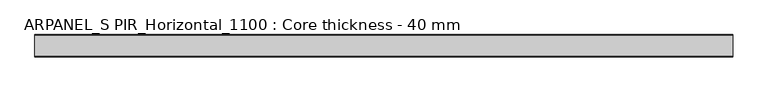
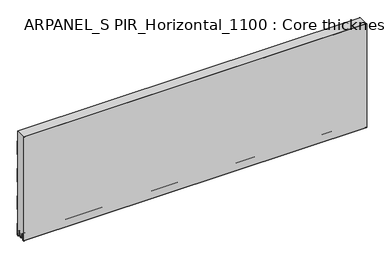
"""IFC4 building model written with IfcOpenShell, lengths in millimetres: plate geometry, ARPANEL_S PIR_Horizontal_1100 : Core thickness - 40 mm."""

from ifc_helpers import new_model, si_unit, frame, origin, place, context, project, spatial, polyline, circle_curve, source, transform, mapped, element, save
from ifc_brep_helpers import plane_surface, cylinder_surface, revolved_surface, advanced_brep


def arpanel_s_pir_horizontal_1100_core_thickness_40_mm_ef45253d(model_context):
    return source(origin(), model_context, "Body", "AdvancedBrep", [
        advanced_brep(
        [(620.0, -39.9996949, 3.0900682), (620.0, -33.81449, 2.7875612), (620.0, -32.197116, 19.2828169), (620.0, -29.1776715, 21.9898782), (620.0, -26.1582271, 19.2828169), (620.0, -24.7725998, 5.1510966), (620.0, -20.3830995, 5.365779), (620.0, -21.1830995, 5.365779), (620.0, -23.9764178, 5.2291629), (620.0, -25.3620451, 19.3608832), (620.0, -29.1776715, 22.7899182), (620.0, -32.9932979, 19.3608832), (620.0, -34.6106719, 2.8656275), (620.0, -39.1996949, 3.0900682), (620.0, -39.2, 400.0), (620.0, -39.9996949, 400.0), (-620.0, -39.1996949, 3.0900682), (-620.0, -34.6106719, 2.8656275), (-620.0, -32.9932979, 19.3608832), (-620.0, -29.1776715, 22.7899182), (-620.0, -25.3620451, 19.3608832), (-620.0, -23.9764178, 5.2291629), (-620.0, -21.1830995, 5.365779), (-620.0, -20.3830995, 5.365779), (-620.0, -24.7725998, 5.1510966), (-620.0, -26.1582271, 19.2828169), (-620.0, -29.1776715, 21.9898782), (-620.0, -32.197116, 19.2828169), (-620.0, -33.81449, 2.7875612), (-620.0, -39.9996949, 3.0900682), (-620.0, -39.9996949, 400.0), (-620.0, -39.2, 400.0)],
        [
            (0, 1, circle_curve(frame((620.0, -36.8996949, 3.0900682), z_axis=(1.0, 0.0, 0.0), x_axis=(0.0, 0.0, -1.0)), 3.1)),
            (1, 2),
            (2, 3, circle_curve(frame((620.0, -29.2114338, 18.9900682), z_axis=(-1.0, 0.0, 0.0), x_axis=(0.0, 0.0, -1.0)), 3.0)),
            (3, 4, circle_curve(frame((620.0, -29.1439093, 18.9900682), z_axis=(-1.0, 0.0, 0.0), x_axis=(0.0, 0.0, -1.0)), 3.0)),
            (4, 5),
            (5, 6, circle_curve(frame((620.0, -22.5830995, 5.365779), z_axis=(1.0, 0.0, 0.0), x_axis=(0.0, 0.0, -1.0)), 2.2)),
            (6, 7),
            (7, 8, circle_curve(frame((620.0, -22.5830995, 5.365779), z_axis=(-1.0, 0.0, 0.0), x_axis=(0.0, 0.0, -1.0)), 1.4)),
            (8, 9),
            (9, 10, circle_curve(frame((620.0, -29.1439093, 18.9900682), z_axis=(1.0, 0.0, 0.0), x_axis=(0.0, 0.0, -1.0)), 3.8)),
            (10, 11, circle_curve(frame((620.0, -29.2114338, 18.9900682), z_axis=(1.0, 0.0, 0.0), x_axis=(0.0, 0.0, -1.0)), 3.8)),
            (11, 12),
            (12, 13, circle_curve(frame((620.0, -36.8996949, 3.0900682), z_axis=(-1.0, 0.0, 0.0), x_axis=(0.0, 0.0, -1.0)), 2.3)),
            (13, 14),
            (14, 15),
            (15, 0),
            (16, 17, circle_curve(frame((-620.0, -36.8996949, 3.0900682), z_axis=(1.0, 0.0, 0.0), x_axis=(0.0, 0.0, -1.0)), 2.3)),
            (17, 18),
            (18, 19, circle_curve(frame((-620.0, -29.2114338, 18.9900682), z_axis=(-1.0, 0.0, 0.0), x_axis=(0.0, 0.0, -1.0)), 3.8)),
            (19, 20, circle_curve(frame((-620.0, -29.1439093, 18.9900682), z_axis=(-1.0, 0.0, 0.0), x_axis=(0.0, 0.0, -1.0)), 3.8)),
            (20, 21),
            (21, 22, circle_curve(frame((-620.0, -22.5830995, 5.365779), z_axis=(1.0, 0.0, 0.0), x_axis=(0.0, 0.0, -1.0)), 1.4)),
            (22, 23),
            (23, 24, circle_curve(frame((-620.0, -22.5830995, 5.365779), z_axis=(-1.0, 0.0, 0.0), x_axis=(0.0, 0.0, -1.0)), 2.2)),
            (24, 25),
            (25, 26, circle_curve(frame((-620.0, -29.1439093, 18.9900682), z_axis=(1.0, 0.0, 0.0), x_axis=(0.0, 0.0, -1.0)), 3.0)),
            (26, 27, circle_curve(frame((-620.0, -29.2114338, 18.9900682), z_axis=(1.0, 0.0, 0.0), x_axis=(0.0, 0.0, -1.0)), 3.0)),
            (27, 28),
            (28, 29, circle_curve(frame((-620.0, -36.8996949, 3.0900682), z_axis=(-1.0, 0.0, 0.0), x_axis=(0.0, 0.0, -1.0)), 3.1)),
            (29, 30),
            (30, 31),
            (31, 16),
            (13, 16),
            (31, 14),
            (29, 0),
            (15, 30),
            (12, 17),
            (11, 18),
            (10, 19),
            (9, 20),
            (8, 21),
            (7, 22),
            (6, 23),
            (5, 24),
            (4, 25),
            (3, 26),
            (2, 27),
            (1, 28),
        ],
        [
            plane_surface(frame((620.0, -40.0, 0.0), z_axis=(1.0, 0.0, 0.0), x_axis=(0.0, 1.0, 0.0))),
            plane_surface(frame((-620.0, -40.0, 0.0), z_axis=(-1.0, 0.0, 0.0), x_axis=(0.0, 1.0, 0.0))),
            plane_surface(frame((620.0, -39.2, 3.0900682), z_axis=(0.0, 1.0, 0.0), x_axis=(-1.0, 0.0, 0.0))),
            plane_surface(frame((620.0, -39.9996949, 1093.9000005), z_axis=(0.0, -1.0, 0.0), x_axis=(-1.0, 0.0, 0.0))),
            revolved_surface(polyline([(-620.0, -36.8996949, 0.7900682000000003), (620.0, -36.8996949, 0.7900682000000003)]), (620.0, -36.8996949, 3.0900682), (-1.0, 0.0, 0.0)),
            plane_surface(frame((620.0, -32.9932979, 19.3608832), z_axis=(0.0, -0.9952273999818314, 0.09758289975914787), x_axis=(-1.0, 0.0, 0.0))),
            cylinder_surface(frame((620.0, -29.2114338, 18.9900682), z_axis=(1.0, 0.0, 0.0), x_axis=(0.0, 0.0, -1.0)), 3.8),
            cylinder_surface(frame((620.0, -29.1439093, 18.9900682), z_axis=(1.0, 0.0, 0.0), x_axis=(0.0, 0.0, -1.0)), 3.8),
            plane_surface(frame((620.0, -23.9764178, 5.2291629), z_axis=(0.0, 0.9952273999818297, 0.09758289975916531), x_axis=(-1.0, 0.0, 0.0))),
            revolved_surface(polyline([(-620.0, -22.5830995, 3.965779), (620.0, -22.5830995, 3.965779)]), (620.0, -22.5830995, 5.365779), (-1.0, 0.0, 0.0)),
            plane_surface(frame((620.0, -20.3830995, 5.365779), z_axis=(0.0, 0.0, 1.0), x_axis=(-1.0, 0.0, 0.0))),
            cylinder_surface(frame((620.0, -22.5830995, 5.365779), z_axis=(1.0, 0.0, 0.0), x_axis=(0.0, 0.0, -1.0)), 2.2),
            plane_surface(frame((620.0, -26.1582271, 19.2828169), z_axis=(0.0, -0.9952273999818296, -0.09758289975916527), x_axis=(-1.0, 0.0, 0.0))),
            revolved_surface(polyline([(-620.0, -29.1439093, 15.9900682), (620.0, -29.1439093, 15.9900682)]), (620.0, -29.1439093, 18.9900682), (-1.0, 0.0, 0.0)),
            revolved_surface(polyline([(-620.0, -29.2114338, 15.9900682), (620.0, -29.2114338, 15.9900682)]), (620.0, -29.2114338, 18.9900682), (-1.0, 0.0, 0.0)),
            plane_surface(frame((620.0, -33.81449, 2.7875612), z_axis=(0.0, 0.9952273999818314, -0.09758289975914787), x_axis=(-1.0, 0.0, 0.0))),
            cylinder_surface(frame((620.0, -36.8996949, 3.0900682), z_axis=(1.0, 0.0, 0.0), x_axis=(0.0, 0.0, -1.0)), 3.1),
            plane_surface(frame((-620.0, 134.0533409, 400.0), z_axis=(0.0, 0.0, 1.0), x_axis=(1.0, 0.0, 0.0))),
        ],
        [
            (0, [[1, 2, 3, 4, 5, 6, 7, 8, 9, 10, 11, 12, 13, 14, 15, 16]]),
            (1, [[17, 18, 19, 20, 21, 22, 23, 24, 25, 26, 27, 28, 29, 30, 31, 32]]),
            (2, [[33, -32, 34, -14]]),
            (3, [[35, -16, 36, -30]]),
            (4, [[-13, 37, -17, -33]]),
            (5, [[-12, 38, -18, -37]]),
            (6, [[-11, 39, -19, -38]]),
            (7, [[-10, 40, -20, -39]]),
            (8, [[-9, 41, -21, -40]]),
            (9, [[-8, 42, -22, -41]]),
            (10, [[-7, 43, -23, -42]]),
            (11, [[-6, 44, -24, -43]]),
            (12, [[-5, 45, -25, -44]]),
            (13, [[-4, 46, -26, -45]]),
            (14, [[-3, 47, -27, -46]]),
            (15, [[-2, 48, -28, -47]]),
            (16, [[-1, -35, -29, -48]]),
            (17, [[-15, -34, -31, -36]]),
        ],
    ),
        advanced_brep(
        [(620.0, -0.8, 149.9459237), (620.0, -1.0986697, 150.9973395), (620.0, -1.5003051, 152.4177205), (620.0, -1.5003051, 202.5775037), (620.0, -1.0971009, 203.9969151), (620.0, -0.8, 205.0493005), (620.0, -0.8, 255.2090837), (620.0, -1.0986697, 256.2604995), (620.0, -1.5003051, 257.6808805), (620.0, -1.5003051, 307.8406637), (620.0, -1.0971009, 309.2600751), (620.0, -0.8, 310.3124605), (620.0, -0.8, 360.4722437), (620.0, -1.0986697, 361.5236595), (620.0, -1.5003051, 362.9440405), (620.0, -1.5003051, 400.0), (620.0, -39.2, 400.0), (620.0, -39.2, 3.0900682), (620.0, -34.6106719, 2.8656275), (620.0, -32.9932979, 19.3608832), (620.0, -29.1776715, 22.7899182), (620.0, -25.3620451, 19.3608832), (620.0, -23.9764178, 5.2291629), (620.0, -21.1830995, 5.365779), (620.0, -20.3830995, 5.365779), (620.0, -20.6102539, 4.3921875), (620.0, -19.3897461, 4.3921875), (620.0, -19.6169005, 5.365779), (620.0, -18.8169005, 5.365779), (620.0, -16.0235822, 5.2291629), (620.0, -14.6379549, 19.3608832), (620.0, -10.8223285, 22.7899182), (620.0, -7.0067021, 19.3608832), (620.0, -5.3893281, 2.8656275), (620.0, -0.8003051, 3.0900682), (620.0, -0.8, 44.6827637), (620.0, -1.0986697, 45.7341795), (620.0, -1.5003051, 47.1545605), (620.0, -1.5003051, 97.3143437), (620.0, -1.0971009, 98.7337551), (620.0, -0.8, 99.7861405), (-620.0, -1.0986697, 150.9973395), (-620.0, -0.8, 149.9459237), (-620.0, -0.8, 99.7861405), (-620.0, -1.0986697, 98.7347246), (-620.0, -1.5003051, 97.3143437), (-620.0, -1.5003051, 47.1545605), (-620.0, -1.0971009, 45.7351491), (-620.0, -0.8, 44.6827637), (-620.0, -0.8, 3.0900682), (-620.0, -5.3893281, 2.8656275), (-620.0, -7.0067021, 19.3608832), (-620.0, -10.8223285, 22.7899182), (-620.0, -14.6379549, 19.3608832), (-620.0, -16.0235822, 5.2291629), (-620.0, -18.4553868, 4.4268721), (-620.0, -18.8169005, 5.365779), (-620.0, -19.6169005, 5.365779), (-620.0, -19.3897461, 4.3921875), (-620.0, -20.6102539, 4.3921875), (-620.0, -20.3830995, 5.365779), (-620.0, -21.1830995, 5.365779), (-620.0, -21.5446132, 4.4268721), (-620.0, -23.9764178, 5.2291629), (-620.0, -25.3620451, 19.3608832), (-620.0, -29.1776715, 22.7899182), (-620.0, -32.9932979, 19.3608832), (-620.0, -34.6106719, 2.8656275), (-620.0, -39.1996949, 3.0900682), (-620.0, -39.2, 400.0), (-620.0, -1.5003051, 400.0), (-620.0, -1.5003051, 362.9440405), (-620.0, -1.0971009, 361.5246291), (-620.0, -0.8, 360.4722437), (-620.0, -0.8, 310.3124605), (-620.0, -1.0986697, 309.2610446), (-620.0, -1.5003051, 307.8406637), (-620.0, -1.5003051, 257.6808805), (-620.0, -1.0971009, 256.2614691), (-620.0, -0.8, 255.2090837), (-620.0, -0.8, 205.0493005), (-620.0, -1.0986697, 203.9978846), (-620.0, -1.5003051, 202.5775037), (-620.0, -1.5003051, 152.4177205)],
        [
            (0, 1, circle_curve(frame((620.0, -2.8, 149.9459237), z_axis=(1.0, 0.0, 0.0), x_axis=(0.0, 0.0, -1.0)), 2.0)),
            (1, 2, circle_curve(frame((620.0, 1.1996949, 152.4177205), z_axis=(-1.0, 0.0, 0.0), x_axis=(0.0, 0.0, -1.0)), 2.7)),
            (2, 3),
            (3, 4, circle_curve(frame((620.0, 1.1996949, 202.5775037), z_axis=(-1.0, 0.0, 0.0), x_axis=(0.0, 0.0, -1.0)), 2.7)),
            (4, 5, circle_curve(frame((620.0, -2.8, 205.0493005), z_axis=(1.0, 0.0, 0.0), x_axis=(0.0, 0.0, -1.0)), 2.0)),
            (5, 6),
            (6, 7, circle_curve(frame((620.0, -2.8, 255.2090837), z_axis=(1.0, 0.0, 0.0), x_axis=(0.0, 0.0, -1.0)), 2.0)),
            (7, 8, circle_curve(frame((620.0, 1.1996949, 257.6808805), z_axis=(-1.0, 0.0, 0.0), x_axis=(0.0, 0.0, -1.0)), 2.7)),
            (8, 9),
            (9, 10, circle_curve(frame((620.0, 1.1996949, 307.8406637), z_axis=(-1.0, 0.0, 0.0), x_axis=(0.0, 0.0, -1.0)), 2.7)),
            (10, 11, circle_curve(frame((620.0, -2.8, 310.3124605), z_axis=(1.0, 0.0, 0.0), x_axis=(0.0, 0.0, -1.0)), 2.0)),
            (11, 12),
            (12, 13, circle_curve(frame((620.0, -2.8, 360.4722437), z_axis=(1.0, 0.0, 0.0), x_axis=(0.0, 0.0, -1.0)), 2.0)),
            (13, 14, circle_curve(frame((620.0, 1.1996949, 362.9440405), z_axis=(-1.0, 0.0, 0.0), x_axis=(0.0, 0.0, -1.0)), 2.7)),
            (14, 15),
            (15, 16),
            (16, 17),
            (17, 18, circle_curve(frame((620.0, -36.8996949, 3.0900682), z_axis=(1.0, 0.0, 0.0), x_axis=(0.0, 0.0, -1.0)), 2.3)),
            (18, 19),
            (19, 20, circle_curve(frame((620.0, -29.2114338, 18.9900682), z_axis=(-1.0, 0.0, 0.0), x_axis=(0.0, 0.0, -1.0)), 3.8)),
            (20, 21, circle_curve(frame((620.0, -29.1439093, 18.9900682), z_axis=(-1.0, 0.0, 0.0), x_axis=(0.0, 0.0, -1.0)), 3.8)),
            (21, 22),
            (22, 23, circle_curve(frame((620.0, -22.5830995, 5.365779), z_axis=(1.0, 0.0, 0.0), x_axis=(0.0, 0.0, -1.0)), 1.4)),
            (23, 24),
            (24, 25, circle_curve(frame((620.0, -22.5830995, 5.365779), z_axis=(-1.0, 0.0, 0.0), x_axis=(0.0, 0.0, -1.0)), 2.2)),
            (25, 26),
            (26, 27, circle_curve(frame((620.0, -17.4169005, 5.365779), z_axis=(-1.0, 0.0, 0.0), x_axis=(0.0, 0.0, -1.0)), 2.2)),
            (27, 28),
            (28, 29, circle_curve(frame((620.0, -17.4169005, 5.365779), z_axis=(1.0, 0.0, 0.0), x_axis=(0.0, 0.0, -1.0)), 1.4)),
            (29, 30),
            (30, 31, circle_curve(frame((620.0, -10.8560907, 18.9900682), z_axis=(-1.0, 0.0, 0.0), x_axis=(0.0, 0.0, -1.0)), 3.8)),
            (31, 32, circle_curve(frame((620.0, -10.7885662, 18.9900682), z_axis=(-1.0, 0.0, 0.0), x_axis=(0.0, 0.0, -1.0)), 3.8)),
            (32, 33),
            (33, 34, circle_curve(frame((620.0, -3.1003051, 3.0900682), z_axis=(1.0, 0.0, 0.0), x_axis=(0.0, 0.0, -1.0)), 2.3)),
            (34, 35),
            (35, 36, circle_curve(frame((620.0, -2.8, 44.6827637), z_axis=(1.0, 0.0, 0.0), x_axis=(0.0, 0.0, -1.0)), 2.0)),
            (36, 37, circle_curve(frame((620.0, 1.1996949, 47.1545605), z_axis=(-1.0, 0.0, 0.0), x_axis=(0.0, 0.0, -1.0)), 2.7)),
            (37, 38),
            (38, 39, circle_curve(frame((620.0, 1.1996949, 97.3143437), z_axis=(-1.0, 0.0, 0.0), x_axis=(0.0, 0.0, -1.0)), 2.7)),
            (39, 40, circle_curve(frame((620.0, -2.8, 99.7861405), z_axis=(1.0, 0.0, 0.0), x_axis=(0.0, 0.0, -1.0)), 2.0)),
            (40, 0),
            (41, 42, circle_curve(frame((-620.0, -2.8, 149.9459237), z_axis=(-1.0, 0.0, 0.0), x_axis=(0.0, 0.0, -1.0)), 2.0)),
            (42, 43),
            (43, 44, circle_curve(frame((-620.0, -2.8, 99.7861405), z_axis=(-1.0, 0.0, 0.0), x_axis=(0.0, 0.0, -1.0)), 2.0)),
            (44, 45, circle_curve(frame((-620.0, 1.1996949, 97.3143437), z_axis=(1.0, 0.0, 0.0), x_axis=(0.0, 0.0, -1.0)), 2.7)),
            (45, 46),
            (46, 47, circle_curve(frame((-620.0, 1.1996949, 47.1545605), z_axis=(1.0, 0.0, 0.0), x_axis=(0.0, 0.0, -1.0)), 2.7)),
            (47, 48, circle_curve(frame((-620.0, -2.8, 44.6827637), z_axis=(-1.0, 0.0, 0.0), x_axis=(0.0, 0.0, -1.0)), 2.0)),
            (48, 49),
            (49, 50, circle_curve(frame((-620.0, -3.1003051, 3.0900682), z_axis=(-1.0, 0.0, 0.0), x_axis=(0.0, 0.0, -1.0)), 2.3)),
            (50, 51),
            (51, 52, circle_curve(frame((-620.0, -10.7885662, 18.9900682), z_axis=(1.0, 0.0, 0.0), x_axis=(0.0, 0.0, -1.0)), 3.8)),
            (52, 53, circle_curve(frame((-620.0, -10.8560907, 18.9900682), z_axis=(1.0, 0.0, 0.0), x_axis=(0.0, 0.0, -1.0)), 3.8)),
            (53, 54),
            (54, 55, circle_curve(frame((-620.0, -17.4169005, 5.365779), z_axis=(-1.0, 0.0, 0.0), x_axis=(0.0, 0.0, -1.0)), 1.4)),
            (55, 56, circle_curve(frame((-620.0, -17.4169005, 5.365779), z_axis=(-1.0, 0.0, 0.0), x_axis=(0.0, 0.0, -1.0)), 1.4)),
            (56, 57),
            (57, 58, circle_curve(frame((-620.0, -17.4169005, 5.365779), z_axis=(1.0, 0.0, 0.0), x_axis=(0.0, 0.0, -1.0)), 2.2)),
            (58, 59),
            (59, 60, circle_curve(frame((-620.0, -22.5830995, 5.365779), z_axis=(1.0, 0.0, 0.0), x_axis=(0.0, 0.0, -1.0)), 2.2)),
            (60, 61),
            (61, 62, circle_curve(frame((-620.0, -22.5830995, 5.365779), z_axis=(-1.0, 0.0, 0.0), x_axis=(0.0, 0.0, -1.0)), 1.4)),
            (62, 63, circle_curve(frame((-620.0, -22.5830995, 5.365779), z_axis=(-1.0, 0.0, 0.0), x_axis=(0.0, 0.0, -1.0)), 1.4)),
            (63, 64),
            (64, 65, circle_curve(frame((-620.0, -29.1439093, 18.9900682), z_axis=(1.0, 0.0, 0.0), x_axis=(0.0, 0.0, -1.0)), 3.8)),
            (65, 66, circle_curve(frame((-620.0, -29.2114338, 18.9900682), z_axis=(1.0, 0.0, 0.0), x_axis=(0.0, 0.0, -1.0)), 3.8)),
            (66, 67),
            (67, 68, circle_curve(frame((-620.0, -36.8996949, 3.0900682), z_axis=(-1.0, 0.0, 0.0), x_axis=(0.0, 0.0, -1.0)), 2.3)),
            (68, 69),
            (69, 70),
            (70, 71),
            (71, 72, circle_curve(frame((-620.0, 1.1996949, 362.9440405), z_axis=(1.0, 0.0, 0.0), x_axis=(0.0, 0.0, -1.0)), 2.7)),
            (72, 73, circle_curve(frame((-620.0, -2.8, 360.4722437), z_axis=(-1.0, 0.0, 0.0), x_axis=(0.0, 0.0, -1.0)), 2.0)),
            (73, 74),
            (74, 75, circle_curve(frame((-620.0, -2.8, 310.3124605), z_axis=(-1.0, 0.0, 0.0), x_axis=(0.0, 0.0, -1.0)), 2.0)),
            (75, 76, circle_curve(frame((-620.0, 1.1996949, 307.8406637), z_axis=(1.0, 0.0, 0.0), x_axis=(0.0, 0.0, -1.0)), 2.7)),
            (76, 77),
            (77, 78, circle_curve(frame((-620.0, 1.1996949, 257.6808805), z_axis=(1.0, 0.0, 0.0), x_axis=(0.0, 0.0, -1.0)), 2.7)),
            (78, 79, circle_curve(frame((-620.0, -2.8, 255.2090837), z_axis=(-1.0, 0.0, 0.0), x_axis=(0.0, 0.0, -1.0)), 2.0)),
            (79, 80),
            (80, 81, circle_curve(frame((-620.0, -2.8, 205.0493005), z_axis=(-1.0, 0.0, 0.0), x_axis=(0.0, 0.0, -1.0)), 2.0)),
            (81, 82, circle_curve(frame((-620.0, 1.1996949, 202.5775037), z_axis=(1.0, 0.0, 0.0), x_axis=(0.0, 0.0, -1.0)), 2.7)),
            (82, 83),
            (83, 41, circle_curve(frame((-620.0, 1.1996949, 152.4177205), z_axis=(1.0, 0.0, 0.0), x_axis=(0.0, 0.0, -1.0)), 2.7)),
            (41, 1),
            (0, 42),
            (83, 2),
            (82, 3),
            (81, 4),
            (80, 5),
            (79, 6),
            (78, 7),
            (77, 8),
            (76, 9),
            (75, 10),
            (74, 11),
            (73, 12),
            (72, 13),
            (71, 14),
            (70, 15),
            (68, 17),
            (16, 69),
            (57, 27),
            (26, 58),
            (56, 28),
            (54, 29),
            (53, 30),
            (52, 31),
            (51, 32),
            (50, 33),
            (49, 34),
            (48, 35),
            (47, 36),
            (46, 37),
            (45, 38),
            (44, 39),
            (43, 40),
            (67, 18),
            (66, 19),
            (65, 20),
            (64, 21),
            (63, 22),
            (61, 23),
            (60, 24),
            (59, 25),
        ],
        [
            plane_surface(frame((620.0, 0.0, 0.0), z_axis=(1.0, 0.0, 0.0), x_axis=(0.0, -1.0, 0.0))),
            plane_surface(frame((-620.0, 0.0, 0.0), z_axis=(-1.0, 0.0, 0.0), x_axis=(0.0, -1.0, 0.0))),
            cylinder_surface(frame((750.0, -2.8, 149.9459237), z_axis=(-1.0, 0.0, 0.0), x_axis=(0.0, 0.0, -1.0)), 2.0),
            revolved_surface(polyline([(620.0, 1.1996949, 149.7177205), (-620.0, 1.1996949, 149.7177205)]), (750.0, 1.1996949, 152.4177205), (1.0, 0.0, 0.0)),
            plane_surface(frame((750.0, -1.5003051, 202.5775037), z_axis=(0.0, 1.0, 0.0), x_axis=(-1.0, 0.0, 0.0))),
            revolved_surface(polyline([(620.0, 1.1996949, 199.8775037), (-620.0, 1.1996949, 199.8775037)]), (750.0, 1.1996949, 202.5775037), (1.0, 0.0, 0.0)),
            cylinder_surface(frame((750.0, -2.8, 205.0493005), z_axis=(-1.0, 0.0, 0.0), x_axis=(0.0, 0.0, -1.0)), 2.0),
            plane_surface(frame((750.0, -0.8, 255.2090837), z_axis=(0.0, 1.0, 0.0), x_axis=(-1.0, 0.0, 0.0))),
            cylinder_surface(frame((750.0, -2.8, 255.2090837), z_axis=(-1.0, 0.0, 0.0), x_axis=(0.0, 0.0, -1.0)), 2.0),
            revolved_surface(polyline([(620.0, 1.1996949, 254.9808805), (-620.0, 1.1996949, 254.9808805)]), (750.0, 1.1996949, 257.6808805), (1.0, 0.0, 0.0)),
            plane_surface(frame((750.0, -1.5003051, 307.8406637), z_axis=(0.0, 1.0, 0.0), x_axis=(-1.0, 0.0, 0.0))),
            revolved_surface(polyline([(620.0, 1.1996949, 305.1406637), (-620.0, 1.1996949, 305.1406637)]), (750.0, 1.1996949, 307.8406637), (1.0, 0.0, 0.0)),
            cylinder_surface(frame((750.0, -2.8, 310.3124605), z_axis=(-1.0, 0.0, 0.0), x_axis=(0.0, 0.0, -1.0)), 2.0),
            plane_surface(frame((750.0, -0.8, 360.4722437), z_axis=(0.0, 1.0, 0.0), x_axis=(-1.0, 0.0, 0.0))),
            cylinder_surface(frame((750.0, -2.8, 360.4722437), z_axis=(-1.0, 0.0, 0.0), x_axis=(0.0, 0.0, -1.0)), 2.0),
            revolved_surface(polyline([(620.0, 1.1996949, 360.24404050000004), (-620.0, 1.1996949, 360.24404050000004)]), (750.0, 1.1996949, 362.9440405), (1.0, 0.0, 0.0)),
            plane_surface(frame((750.0, -1.5003051, 413.1038237), z_axis=(0.0, 1.0, 0.0), x_axis=(-1.0, 0.0, 0.0))),
            plane_surface(frame((750.0, -39.2, 3.0900682), z_axis=(0.0, -1.0, 0.0), x_axis=(-1.0, 0.0, 0.0))),
            revolved_surface(polyline([(620.0, -17.4169005, 3.1657789999999997), (-620.0, -17.4169005, 3.1657789999999997)]), (750.0, -17.4169005, 5.365779), (1.0, 0.0, 0.0)),
            plane_surface(frame((750.0, -18.8169005, 5.365779), z_axis=(0.0, 0.0, -1.0), x_axis=(-1.0, 0.0, 0.0))),
            cylinder_surface(frame((750.0, -17.4169005, 5.365779), z_axis=(-1.0, 0.0, 0.0), x_axis=(0.0, 0.0, -1.0)), 1.4),
            plane_surface(frame((750.0, -14.6379549, 19.3608832), z_axis=(0.0, 0.9952273999818297, -0.09758289975916531), x_axis=(-1.0, 0.0, 0.0))),
            revolved_surface(polyline([(620.0, -10.8560907, 15.190068199999999), (-620.0, -10.8560907, 15.190068199999999)]), (750.0, -10.8560907, 18.9900682), (1.0, 0.0, 0.0)),
            revolved_surface(polyline([(620.0, -10.7885662, 15.190068199999999), (-620.0, -10.7885662, 15.190068199999999)]), (750.0, -10.7885662, 18.9900682), (1.0, 0.0, 0.0)),
            plane_surface(frame((750.0, -5.3893281, 2.8656275), z_axis=(0.0, -0.9952273999818314, -0.09758289975914787), x_axis=(-1.0, 0.0, 0.0))),
            cylinder_surface(frame((750.0, -3.1003051, 3.0900682), z_axis=(-1.0, 0.0, 0.0), x_axis=(0.0, 0.0, -1.0)), 2.3),
            plane_surface(frame((750.0, -0.8, 44.6827637), z_axis=(0.0, 1.0, 0.0), x_axis=(-1.0, 0.0, 0.0))),
            cylinder_surface(frame((750.0, -2.8, 44.6827637), z_axis=(-1.0, 0.0, 0.0), x_axis=(0.0, 0.0, -1.0)), 2.0),
            revolved_surface(polyline([(620.0, 1.1996949, 44.4545605), (-620.0, 1.1996949, 44.4545605)]), (750.0, 1.1996949, 47.1545605), (1.0, 0.0, 0.0)),
            plane_surface(frame((750.0, -1.5003051, 97.3143437), z_axis=(0.0, 1.0, 0.0), x_axis=(-1.0, 0.0, 0.0))),
            revolved_surface(polyline([(620.0, 1.1996949, 94.61434369999999), (-620.0, 1.1996949, 94.61434369999999)]), (750.0, 1.1996949, 97.3143437), (1.0, 0.0, 0.0)),
            cylinder_surface(frame((750.0, -2.8, 99.7861405), z_axis=(-1.0, 0.0, 0.0), x_axis=(0.0, 0.0, -1.0)), 2.0),
            plane_surface(frame((750.0, -0.8, 149.9459237), z_axis=(0.0, 1.0, 0.0), x_axis=(-1.0, 0.0, 0.0))),
            cylinder_surface(frame((750.0, -36.8996949, 3.0900682), z_axis=(-1.0, 0.0, 0.0), x_axis=(0.0, 0.0, -1.0)), 2.3),
            plane_surface(frame((750.0, -32.9932979, 19.3608832), z_axis=(0.0, 0.9952273999818314, -0.09758289975914787), x_axis=(-1.0, 0.0, 0.0))),
            revolved_surface(polyline([(620.0, -29.2114338, 15.190068199999999), (-620.0, -29.2114338, 15.190068199999999)]), (750.0, -29.2114338, 18.9900682), (1.0, 0.0, 0.0)),
            revolved_surface(polyline([(620.0, -29.1439093, 15.190068199999999), (-620.0, -29.1439093, 15.190068199999999)]), (750.0, -29.1439093, 18.9900682), (1.0, 0.0, 0.0)),
            plane_surface(frame((750.0, -23.9764178, 5.2291629), z_axis=(0.0, -0.9952273999818297, -0.09758289975916531), x_axis=(-1.0, 0.0, 0.0))),
            cylinder_surface(frame((750.0, -22.5830995, 5.365779), z_axis=(-1.0, 0.0, 0.0), x_axis=(0.0, 0.0, -1.0)), 1.4),
            plane_surface(frame((750.0, -20.3830995, 5.365779), z_axis=(0.0, 0.0, -1.0), x_axis=(-1.0, 0.0, 0.0))),
            revolved_surface(polyline([(620.0, -22.5830995, 3.1657789999999997), (-620.0, -22.5830995, 3.1657789999999997)]), (750.0, -22.5830995, 5.365779), (1.0, 0.0, 0.0)),
            plane_surface(frame((620.0, -21.50625, 4.3921875), z_axis=(0.0, 0.0, -1.0), x_axis=(-1.0, 0.0, 0.0))),
            plane_surface(frame((-620.0, 134.0533409, 400.0), z_axis=(0.0, 0.0, 1.0), x_axis=(1.0, 0.0, 0.0))),
        ],
        [
            (0, [[1, 2, 3, 4, 5, 6, 7, 8, 9, 10, 11, 12, 13, 14, 15, 16, 17, 18, 19, 20, 21, 22, 23, 24, 25, 26, 27, 28, 29, 30, 31, 32, 33, 34, 35, 36, 37, 38, 39, 40, 41]]),
            (1, [[42, 43, 44, 45, 46, 47, 48, 49, 50, 51, 52, 53, 54, 55, 56, 57, 58, 59, 60, 61, 62, 63, 64, 65, 66, 67, 68, 69, 70, 71, 72, 73, 74, 75, 76, 77, 78, 79, 80, 81, 82, 83, 84]]),
            (2, [[85, -1, 86, -42]]),
            (3, [[-85, -84, 87, -2]]),
            (4, [[-87, -83, 88, -3]]),
            (5, [[-88, -82, 89, -4]]),
            (6, [[-89, -81, 90, -5]]),
            (7, [[-90, -80, 91, -6]]),
            (8, [[-91, -79, 92, -7]]),
            (9, [[-92, -78, 93, -8]]),
            (10, [[-93, -77, 94, -9]]),
            (11, [[-94, -76, 95, -10]]),
            (12, [[-95, -75, 96, -11]]),
            (13, [[-96, -74, 97, -12]]),
            (14, [[-97, -73, 98, -13]]),
            (15, [[-98, -72, 99, -14]]),
            (16, [[-99, -71, 100, -15]]),
            (17, [[101, -17, 102, -69]]),
            (18, [[103, -27, 104, -58]]),
            (19, [[-103, -57, 105, -28]]),
            (20, [[-105, -56, -55, 106, -29]]),
            (21, [[-106, -54, 107, -30]]),
            (22, [[-107, -53, 108, -31]]),
            (23, [[-108, -52, 109, -32]]),
            (24, [[-109, -51, 110, -33]]),
            (25, [[-110, -50, 111, -34]]),
            (26, [[-111, -49, 112, -35]]),
            (27, [[-112, -48, 113, -36]]),
            (28, [[-113, -47, 114, -37]]),
            (29, [[-114, -46, 115, -38]]),
            (30, [[-115, -45, 116, -39]]),
            (31, [[-116, -44, 117, -40]]),
            (32, [[-117, -43, -86, -41]]),
            (33, [[-101, -68, 118, -18]]),
            (34, [[-118, -67, 119, -19]]),
            (35, [[-119, -66, 120, -20]]),
            (36, [[-120, -65, 121, -21]]),
            (37, [[-121, -64, 122, -22]]),
            (38, [[-122, -63, -62, 123, -23]]),
            (39, [[-123, -61, 124, -24]]),
            (40, [[-124, -60, 125, -25]]),
            (41, [[-104, -26, -125, -59]]),
            (42, [[-100, -70, -102, -16]]),
        ],
    ),
        advanced_brep(
        [(-620.0, -0.7003051, 362.9440405), (-620.0, -0.4016712, 361.8926826), (-620.0, -0.0003051, 360.4722437), (-620.0, -0.0003051, 310.3124605), (-620.0, -0.4034608, 308.8931274), (-620.0, -0.7003051, 307.8406637), (-620.0, -0.7003051, 257.6808805), (-620.0, -0.4016712, 256.6295226), (-620.0, -0.0003051, 255.2090837), (-620.0, -0.0003051, 205.0493005), (-620.0, -0.4034608, 203.6299674), (-620.0, -0.7003051, 202.5775037), (-620.0, -0.7003051, 152.4177205), (-620.0, -0.4016712, 151.3663626), (-620.0, -0.0003051, 149.9459237), (-620.0, -0.0003051, 99.7861405), (-620.0, -0.4034608, 98.3668074), (-620.0, -0.7003051, 97.3143437), (-620.0, -0.7003051, 47.1545605), (-620.0, -0.4016712, 46.1032026), (-620.0, -0.0003051, 44.6827637), (-620.0, -0.0003051, 3.0900682), (-620.0, -6.18551, 2.7875612), (-620.0, -7.802884, 19.2828169), (-620.0, -10.8223285, 21.9898782), (-620.0, -13.8417729, 19.2828169), (-620.0, -15.2274002, 5.1510966), (-620.0, -19.6169005, 5.365779), (-620.0, -18.8169005, 5.365779), (-620.0, -16.0235822, 5.2291629), (-620.0, -14.6379549, 19.3608832), (-620.0, -10.8223285, 22.7899182), (-620.0, -7.0067021, 19.3608832), (-620.0, -5.3893281, 2.8656275), (-620.0, -0.8003051, 3.0900682), (-620.0, -0.8, 44.6827637), (-620.0, -1.0986697, 45.7341795), (-620.0, -1.5003051, 47.1545605), (-620.0, -1.5003051, 97.3143437), (-620.0, -1.0971009, 98.7337551), (-620.0, -0.8, 99.7861405), (-620.0, -0.8, 149.9459237), (-620.0, -1.0986697, 150.9973395), (-620.0, -1.5003051, 152.4177205), (-620.0, -1.5003051, 202.5775037), (-620.0, -1.0971009, 203.9969151), (-620.0, -0.8, 205.0493005), (-620.0, -0.8, 255.2090837), (-620.0, -1.0986697, 256.2604995), (-620.0, -1.5003051, 257.6808805), (-620.0, -1.5003051, 307.8406637), (-620.0, -1.0971009, 309.2600751), (-620.0, -0.8, 310.3124605), (-620.0, -0.8, 360.4722437), (-620.0, -1.0986697, 361.5236595), (-620.0, -1.5003051, 362.9440405), (-620.0, -1.5003051, 400.0), (-620.0, -0.7003051, 400.0), (620.0, -1.5003051, 362.9440405), (620.0, -1.0971009, 361.5246291), (620.0, -0.8, 360.4722437), (620.0, -0.8, 310.3124605), (620.0, -1.0986697, 309.2610446), (620.0, -1.5003051, 307.8406637), (620.0, -1.5003051, 257.6808805), (620.0, -1.0971009, 256.2614691), (620.0, -0.8, 255.2090837), (620.0, -0.8, 205.0493005), (620.0, -1.0986697, 203.9978846), (620.0, -1.5003051, 202.5775037), (620.0, -1.5003051, 152.4177205), (620.0, -1.0971009, 150.9983091), (620.0, -0.8, 149.9459237), (620.0, -0.8, 99.7861405), (620.0, -1.0986697, 98.7347246), (620.0, -1.5003051, 97.3143437), (620.0, -1.5003051, 47.1545605), (620.0, -1.0971009, 45.7351491), (620.0, -0.8, 44.6827637), (620.0, -0.8, 3.0900682), (620.0, -5.3893281, 2.8656275), (620.0, -7.0067021, 19.3608832), (620.0, -10.8223285, 22.7899182), (620.0, -14.6379549, 19.3608832), (620.0, -16.0235822, 5.2291629), (620.0, -18.8169005, 5.365779), (620.0, -19.6169005, 5.365779), (620.0, -15.2274002, 5.1510966), (620.0, -13.8417729, 19.2828169), (620.0, -10.8223285, 21.9898782), (620.0, -7.802884, 19.2828169), (620.0, -6.18551, 2.7875612), (620.0, -0.0003051, 3.0900682), (620.0, -0.0003051, 44.6827637), (620.0, -0.4034608, 46.1020968), (620.0, -0.7003051, 47.1545605), (620.0, -0.7003051, 97.3143437), (620.0, -0.4016712, 98.3657015), (620.0, -0.0003051, 99.7861405), (620.0, -0.0003051, 149.9459237), (620.0, -0.4034608, 151.3652568), (620.0, -0.7003051, 152.4177205), (620.0, -0.7003051, 202.5775037), (620.0, -0.4016712, 203.6288615), (620.0, -0.0003051, 205.0493005), (620.0, -0.0003051, 255.2090837), (620.0, -0.4034608, 256.6284168), (620.0, -0.7003051, 257.6808805), (620.0, -0.7003051, 307.8406637), (620.0, -0.4016712, 308.8920215), (620.0, -0.0003051, 310.3124605), (620.0, -0.0003051, 360.4722437), (620.0, -0.4034608, 361.8915768), (620.0, -0.7003051, 362.9440405), (620.0, -0.7003051, 400.0), (620.0, -1.5003051, 400.0)],
        [
            (0, 1, circle_curve(frame((-620.0, 1.2996949, 362.9440405), z_axis=(1.0, 0.0, 0.0), x_axis=(0.0, 0.0, -1.0)), 2.0)),
            (1, 2, circle_curve(frame((-620.0, -2.7003051, 360.4722437), z_axis=(-1.0, 0.0, 0.0), x_axis=(0.0, 0.0, -1.0)), 2.7)),
            (2, 3),
            (3, 4, circle_curve(frame((-620.0, -2.7003051, 310.3124605), z_axis=(-1.0, 0.0, 0.0), x_axis=(0.0, 0.0, -1.0)), 2.7)),
            (4, 5, circle_curve(frame((-620.0, 1.2996949, 307.8406637), z_axis=(1.0, 0.0, 0.0), x_axis=(0.0, 0.0, -1.0)), 2.0)),
            (5, 6),
            (6, 7, circle_curve(frame((-620.0, 1.2996949, 257.6808805), z_axis=(1.0, 0.0, 0.0), x_axis=(0.0, 0.0, -1.0)), 2.0)),
            (7, 8, circle_curve(frame((-620.0, -2.7003051, 255.2090837), z_axis=(-1.0, 0.0, 0.0), x_axis=(0.0, 0.0, -1.0)), 2.7)),
            (8, 9),
            (9, 10, circle_curve(frame((-620.0, -2.7003051, 205.0493005), z_axis=(-1.0, 0.0, 0.0), x_axis=(0.0, 0.0, -1.0)), 2.7)),
            (10, 11, circle_curve(frame((-620.0, 1.2996949, 202.5775037), z_axis=(1.0, 0.0, 0.0), x_axis=(0.0, 0.0, -1.0)), 2.0)),
            (11, 12),
            (12, 13, circle_curve(frame((-620.0, 1.2996949, 152.4177205), z_axis=(1.0, 0.0, 0.0), x_axis=(0.0, 0.0, -1.0)), 2.0)),
            (13, 14, circle_curve(frame((-620.0, -2.7003051, 149.9459237), z_axis=(-1.0, 0.0, 0.0), x_axis=(0.0, 0.0, -1.0)), 2.7)),
            (14, 15),
            (15, 16, circle_curve(frame((-620.0, -2.7003051, 99.7861405), z_axis=(-1.0, 0.0, 0.0), x_axis=(0.0, 0.0, -1.0)), 2.7)),
            (16, 17, circle_curve(frame((-620.0, 1.2996949, 97.3143437), z_axis=(1.0, 0.0, 0.0), x_axis=(0.0, 0.0, -1.0)), 2.0)),
            (17, 18),
            (18, 19, circle_curve(frame((-620.0, 1.2996949, 47.1545605), z_axis=(1.0, 0.0, 0.0), x_axis=(0.0, 0.0, -1.0)), 2.0)),
            (19, 20, circle_curve(frame((-620.0, -2.7003051, 44.6827637), z_axis=(-1.0, 0.0, 0.0), x_axis=(0.0, 0.0, -1.0)), 2.7)),
            (20, 21),
            (21, 22, circle_curve(frame((-620.0, -3.1003051, 3.0900682), z_axis=(-1.0, 0.0, 0.0), x_axis=(0.0, 0.0, -1.0)), 3.1)),
            (22, 23),
            (23, 24, circle_curve(frame((-620.0, -10.7885662, 18.9900682), z_axis=(1.0, 0.0, 0.0), x_axis=(0.0, 0.0, -1.0)), 3.0)),
            (24, 25, circle_curve(frame((-620.0, -10.8560907, 18.9900682), z_axis=(1.0, 0.0, 0.0), x_axis=(0.0, 0.0, -1.0)), 3.0)),
            (25, 26),
            (26, 27, circle_curve(frame((-620.0, -17.4169005, 5.365779), z_axis=(-1.0, 0.0, 0.0), x_axis=(0.0, 0.0, -1.0)), 2.2)),
            (27, 28),
            (28, 29, circle_curve(frame((-620.0, -17.4169005, 5.365779), z_axis=(1.0, 0.0, 0.0), x_axis=(0.0, 0.0, -1.0)), 1.4)),
            (29, 30),
            (30, 31, circle_curve(frame((-620.0, -10.8560907, 18.9900682), z_axis=(-1.0, 0.0, 0.0), x_axis=(0.0, 0.0, -1.0)), 3.8)),
            (31, 32, circle_curve(frame((-620.0, -10.7885662, 18.9900682), z_axis=(-1.0, 0.0, 0.0), x_axis=(0.0, 0.0, -1.0)), 3.8)),
            (32, 33),
            (33, 34, circle_curve(frame((-620.0, -3.1003051, 3.0900682), z_axis=(1.0, 0.0, 0.0), x_axis=(0.0, 0.0, -1.0)), 2.3)),
            (34, 35),
            (35, 36, circle_curve(frame((-620.0, -2.8, 44.6827637), z_axis=(1.0, 0.0, 0.0), x_axis=(0.0, 0.0, -1.0)), 2.0)),
            (36, 37, circle_curve(frame((-620.0, 1.1996949, 47.1545605), z_axis=(-1.0, 0.0, 0.0), x_axis=(0.0, 0.0, -1.0)), 2.7)),
            (37, 38),
            (38, 39, circle_curve(frame((-620.0, 1.1996949, 97.3143437), z_axis=(-1.0, 0.0, 0.0), x_axis=(0.0, 0.0, -1.0)), 2.7)),
            (39, 40, circle_curve(frame((-620.0, -2.8, 99.7861405), z_axis=(1.0, 0.0, 0.0), x_axis=(0.0, 0.0, -1.0)), 2.0)),
            (40, 41),
            (41, 42, circle_curve(frame((-620.0, -2.8, 149.9459237), z_axis=(1.0, 0.0, 0.0), x_axis=(0.0, 0.0, -1.0)), 2.0)),
            (42, 43, circle_curve(frame((-620.0, 1.1996949, 152.4177205), z_axis=(-1.0, 0.0, 0.0), x_axis=(0.0, 0.0, -1.0)), 2.7)),
            (43, 44),
            (44, 45, circle_curve(frame((-620.0, 1.1996949, 202.5775037), z_axis=(-1.0, 0.0, 0.0), x_axis=(0.0, 0.0, -1.0)), 2.7)),
            (45, 46, circle_curve(frame((-620.0, -2.8, 205.0493005), z_axis=(1.0, 0.0, 0.0), x_axis=(0.0, 0.0, -1.0)), 2.0)),
            (46, 47),
            (47, 48, circle_curve(frame((-620.0, -2.8, 255.2090837), z_axis=(1.0, 0.0, 0.0), x_axis=(0.0, 0.0, -1.0)), 2.0)),
            (48, 49, circle_curve(frame((-620.0, 1.1996949, 257.6808805), z_axis=(-1.0, 0.0, 0.0), x_axis=(0.0, 0.0, -1.0)), 2.7)),
            (49, 50),
            (50, 51, circle_curve(frame((-620.0, 1.1996949, 307.8406637), z_axis=(-1.0, 0.0, 0.0), x_axis=(0.0, 0.0, -1.0)), 2.7)),
            (51, 52, circle_curve(frame((-620.0, -2.8, 310.3124605), z_axis=(1.0, 0.0, 0.0), x_axis=(0.0, 0.0, -1.0)), 2.0)),
            (52, 53),
            (53, 54, circle_curve(frame((-620.0, -2.8, 360.4722437), z_axis=(1.0, 0.0, 0.0), x_axis=(0.0, 0.0, -1.0)), 2.0)),
            (54, 55, circle_curve(frame((-620.0, 1.1996949, 362.9440405), z_axis=(-1.0, 0.0, 0.0), x_axis=(0.0, 0.0, -1.0)), 2.7)),
            (55, 56),
            (56, 57),
            (57, 0),
            (58, 59, circle_curve(frame((620.0, 1.1996949, 362.9440405), z_axis=(1.0, 0.0, 0.0), x_axis=(0.0, 0.0, -1.0)), 2.7)),
            (59, 60, circle_curve(frame((620.0, -2.8, 360.4722437), z_axis=(-1.0, 0.0, 0.0), x_axis=(0.0, 0.0, -1.0)), 2.0)),
            (60, 61),
            (61, 62, circle_curve(frame((620.0, -2.8, 310.3124605), z_axis=(-1.0, 0.0, 0.0), x_axis=(0.0, 0.0, -1.0)), 2.0)),
            (62, 63, circle_curve(frame((620.0, 1.1996949, 307.8406637), z_axis=(1.0, 0.0, 0.0), x_axis=(0.0, 0.0, -1.0)), 2.7)),
            (63, 64),
            (64, 65, circle_curve(frame((620.0, 1.1996949, 257.6808805), z_axis=(1.0, 0.0, 0.0), x_axis=(0.0, 0.0, -1.0)), 2.7)),
            (65, 66, circle_curve(frame((620.0, -2.8, 255.2090837), z_axis=(-1.0, 0.0, 0.0), x_axis=(0.0, 0.0, -1.0)), 2.0)),
            (66, 67),
            (67, 68, circle_curve(frame((620.0, -2.8, 205.0493005), z_axis=(-1.0, 0.0, 0.0), x_axis=(0.0, 0.0, -1.0)), 2.0)),
            (68, 69, circle_curve(frame((620.0, 1.1996949, 202.5775037), z_axis=(1.0, 0.0, 0.0), x_axis=(0.0, 0.0, -1.0)), 2.7)),
            (69, 70),
            (70, 71, circle_curve(frame((620.0, 1.1996949, 152.4177205), z_axis=(1.0, 0.0, 0.0), x_axis=(0.0, 0.0, -1.0)), 2.7)),
            (71, 72, circle_curve(frame((620.0, -2.8, 149.9459237), z_axis=(-1.0, 0.0, 0.0), x_axis=(0.0, 0.0, -1.0)), 2.0)),
            (72, 73),
            (73, 74, circle_curve(frame((620.0, -2.8, 99.7861405), z_axis=(-1.0, 0.0, 0.0), x_axis=(0.0, 0.0, -1.0)), 2.0)),
            (74, 75, circle_curve(frame((620.0, 1.1996949, 97.3143437), z_axis=(1.0, 0.0, 0.0), x_axis=(0.0, 0.0, -1.0)), 2.7)),
            (75, 76),
            (76, 77, circle_curve(frame((620.0, 1.1996949, 47.1545605), z_axis=(1.0, 0.0, 0.0), x_axis=(0.0, 0.0, -1.0)), 2.7)),
            (77, 78, circle_curve(frame((620.0, -2.8, 44.6827637), z_axis=(-1.0, 0.0, 0.0), x_axis=(0.0, 0.0, -1.0)), 2.0)),
            (78, 79),
            (79, 80, circle_curve(frame((620.0, -3.1003051, 3.0900682), z_axis=(-1.0, 0.0, 0.0), x_axis=(0.0, 0.0, -1.0)), 2.3)),
            (80, 81),
            (81, 82, circle_curve(frame((620.0, -10.7885662, 18.9900682), z_axis=(1.0, 0.0, 0.0), x_axis=(0.0, 0.0, -1.0)), 3.8)),
            (82, 83, circle_curve(frame((620.0, -10.8560907, 18.9900682), z_axis=(1.0, 0.0, 0.0), x_axis=(0.0, 0.0, -1.0)), 3.8)),
            (83, 84),
            (84, 85, circle_curve(frame((620.0, -17.4169005, 5.365779), z_axis=(-1.0, 0.0, 0.0), x_axis=(0.0, 0.0, -1.0)), 1.4)),
            (85, 86),
            (86, 87, circle_curve(frame((620.0, -17.4169005, 5.365779), z_axis=(1.0, 0.0, 0.0), x_axis=(0.0, 0.0, -1.0)), 2.2)),
            (87, 88),
            (88, 89, circle_curve(frame((620.0, -10.8560907, 18.9900682), z_axis=(-1.0, 0.0, 0.0), x_axis=(0.0, 0.0, -1.0)), 3.0)),
            (89, 90, circle_curve(frame((620.0, -10.7885662, 18.9900682), z_axis=(-1.0, 0.0, 0.0), x_axis=(0.0, 0.0, -1.0)), 3.0)),
            (90, 91),
            (91, 92, circle_curve(frame((620.0, -3.1003051, 3.0900682), z_axis=(1.0, 0.0, 0.0), x_axis=(0.0, 0.0, -1.0)), 3.1)),
            (92, 93),
            (93, 94, circle_curve(frame((620.0, -2.7003051, 44.6827637), z_axis=(1.0, 0.0, 0.0), x_axis=(0.0, 0.0, -1.0)), 2.7)),
            (94, 95, circle_curve(frame((620.0, 1.2996949, 47.1545605), z_axis=(-1.0, 0.0, 0.0), x_axis=(0.0, 0.0, -1.0)), 2.0)),
            (95, 96),
            (96, 97, circle_curve(frame((620.0, 1.2996949, 97.3143437), z_axis=(-1.0, 0.0, 0.0), x_axis=(0.0, 0.0, -1.0)), 2.0)),
            (97, 98, circle_curve(frame((620.0, -2.7003051, 99.7861405), z_axis=(1.0, 0.0, 0.0), x_axis=(0.0, 0.0, -1.0)), 2.7)),
            (98, 99),
            (99, 100, circle_curve(frame((620.0, -2.7003051, 149.9459237), z_axis=(1.0, 0.0, 0.0), x_axis=(0.0, 0.0, -1.0)), 2.7)),
            (100, 101, circle_curve(frame((620.0, 1.2996949, 152.4177205), z_axis=(-1.0, 0.0, 0.0), x_axis=(0.0, 0.0, -1.0)), 2.0)),
            (101, 102),
            (102, 103, circle_curve(frame((620.0, 1.2996949, 202.5775037), z_axis=(-1.0, 0.0, 0.0), x_axis=(0.0, 0.0, -1.0)), 2.0)),
            (103, 104, circle_curve(frame((620.0, -2.7003051, 205.0493005), z_axis=(1.0, 0.0, 0.0), x_axis=(0.0, 0.0, -1.0)), 2.7)),
            (104, 105),
            (105, 106, circle_curve(frame((620.0, -2.7003051, 255.2090837), z_axis=(1.0, 0.0, 0.0), x_axis=(0.0, 0.0, -1.0)), 2.7)),
            (106, 107, circle_curve(frame((620.0, 1.2996949, 257.6808805), z_axis=(-1.0, 0.0, 0.0), x_axis=(0.0, 0.0, -1.0)), 2.0)),
            (107, 108),
            (108, 109, circle_curve(frame((620.0, 1.2996949, 307.8406637), z_axis=(-1.0, 0.0, 0.0), x_axis=(0.0, 0.0, -1.0)), 2.0)),
            (109, 110, circle_curve(frame((620.0, -2.7003051, 310.3124605), z_axis=(1.0, 0.0, 0.0), x_axis=(0.0, 0.0, -1.0)), 2.7)),
            (110, 111),
            (111, 112, circle_curve(frame((620.0, -2.7003051, 360.4722437), z_axis=(1.0, 0.0, 0.0), x_axis=(0.0, 0.0, -1.0)), 2.7)),
            (112, 113, circle_curve(frame((620.0, 1.2996949, 362.9440405), z_axis=(-1.0, 0.0, 0.0), x_axis=(0.0, 0.0, -1.0)), 2.0)),
            (113, 114),
            (114, 115),
            (115, 58),
            (55, 58),
            (115, 56),
            (54, 59),
            (53, 60),
            (52, 61),
            (51, 62),
            (50, 63),
            (49, 64),
            (48, 65),
            (47, 66),
            (46, 67),
            (45, 68),
            (44, 69),
            (43, 70),
            (42, 71),
            (41, 72),
            (33, 80),
            (79, 34),
            (32, 81),
            (31, 82),
            (30, 83),
            (29, 84),
            (28, 85),
            (27, 86),
            (26, 87),
            (25, 88),
            (24, 89),
            (23, 90),
            (22, 91),
            (21, 92),
            (13, 100),
            (99, 14),
            (12, 101),
            (11, 102),
            (10, 103),
            (9, 104),
            (8, 105),
            (7, 106),
            (6, 107),
            (5, 108),
            (4, 109),
            (3, 110),
            (2, 111),
            (1, 112),
            (0, 113),
            (57, 114),
            (40, 73),
            (39, 74),
            (38, 75),
            (37, 76),
            (36, 77),
            (35, 78),
            (20, 93),
            (19, 94),
            (18, 95),
            (17, 96),
            (16, 97),
            (15, 98),
        ],
        [
            plane_surface(frame((-620.0, 0.0, 0.0), z_axis=(-1.0, 0.0, 0.0), x_axis=(0.0, -1.0, 0.0))),
            plane_surface(frame((620.0, 0.0, 0.0), z_axis=(1.0, 0.0, 0.0), x_axis=(0.0, -1.0, 0.0))),
            plane_surface(frame((-620.0, -1.5003051, 362.9440405), z_axis=(0.0, -1.0, 0.0), x_axis=(1.0, 0.0, 0.0))),
            cylinder_surface(frame((-620.0, 1.1996949, 362.9440405), z_axis=(-1.0, 0.0, 0.0), x_axis=(0.0, 0.0, -1.0)), 2.7),
            revolved_surface(polyline([(620.0, -2.8, 358.4722437), (-620.0, -2.8, 358.4722437)]), (-620.0, -2.8, 360.4722437), (1.0, 0.0, 0.0)),
            plane_surface(frame((-620.0, -0.8, 310.3124605), z_axis=(0.0, -1.0, 0.0), x_axis=(1.0, 0.0, 0.0))),
            revolved_surface(polyline([(620.0, -2.8, 308.3124605), (-620.0, -2.8, 308.3124605)]), (-620.0, -2.8, 310.3124605), (1.0, 0.0, 0.0)),
            cylinder_surface(frame((-620.0, 1.1996949, 307.8406637), z_axis=(-1.0, 0.0, 0.0), x_axis=(0.0, 0.0, -1.0)), 2.7),
            plane_surface(frame((-620.0, -1.5003051, 257.6808805), z_axis=(0.0, -1.0, 0.0), x_axis=(1.0, 0.0, 0.0))),
            cylinder_surface(frame((-620.0, 1.1996949, 257.6808805), z_axis=(-1.0, 0.0, 0.0), x_axis=(0.0, 0.0, -1.0)), 2.7),
            revolved_surface(polyline([(620.0, -2.8, 253.2090837), (-620.0, -2.8, 253.2090837)]), (-620.0, -2.8, 255.2090837), (1.0, 0.0, 0.0)),
            plane_surface(frame((-620.0, -0.8, 205.0493005), z_axis=(0.0, -1.0, 0.0), x_axis=(1.0, 0.0, 0.0))),
            revolved_surface(polyline([(620.0, -2.8, 203.0493005), (-620.0, -2.8, 203.0493005)]), (-620.0, -2.8, 205.0493005), (1.0, 0.0, 0.0)),
            cylinder_surface(frame((-620.0, 1.1996949, 202.5775037), z_axis=(-1.0, 0.0, 0.0), x_axis=(0.0, 0.0, -1.0)), 2.7),
            plane_surface(frame((-620.0, -1.5003051, 152.4177205), z_axis=(0.0, -1.0, 0.0), x_axis=(1.0, 0.0, 0.0))),
            cylinder_surface(frame((-620.0, 1.1996949, 152.4177205), z_axis=(-1.0, 0.0, 0.0), x_axis=(0.0, 0.0, -1.0)), 2.7),
            revolved_surface(polyline([(620.0, -2.8, 147.9459237), (-620.0, -2.8, 147.9459237)]), (-620.0, -2.8, 149.9459237), (1.0, 0.0, 0.0)),
            revolved_surface(polyline([(620.0, -3.1003051, 0.7900682000000003), (-620.0, -3.1003051, 0.7900682000000003)]), (-620.0, -3.1003051, 3.0900682), (1.0, 0.0, 0.0)),
            plane_surface(frame((-620.0, -7.0067021, 19.3608832), z_axis=(0.0, 0.9952273999818314, 0.09758289975914787), x_axis=(1.0, 0.0, 0.0))),
            cylinder_surface(frame((-620.0, -10.7885662, 18.9900682), z_axis=(-1.0, 0.0, 0.0), x_axis=(0.0, 0.0, -1.0)), 3.8),
            cylinder_surface(frame((-620.0, -10.8560907, 18.9900682), z_axis=(-1.0, 0.0, 0.0), x_axis=(0.0, 0.0, -1.0)), 3.8),
            plane_surface(frame((-620.0, -16.0235822, 5.2291629), z_axis=(0.0, -0.9952273999818297, 0.09758289975916531), x_axis=(1.0, 0.0, 0.0))),
            revolved_surface(polyline([(620.0, -17.4169005, 3.965779), (-620.0, -17.4169005, 3.965779)]), (-620.0, -17.4169005, 5.365779), (1.0, 0.0, 0.0)),
            plane_surface(frame((-620.0, -19.6169005, 5.365779), z_axis=(0.0, 0.0, 1.0), x_axis=(1.0, 0.0, 0.0))),
            cylinder_surface(frame((-620.0, -17.4169005, 5.365779), z_axis=(-1.0, 0.0, 0.0), x_axis=(0.0, 0.0, -1.0)), 2.2),
            plane_surface(frame((-620.0, -13.8417729, 19.2828169), z_axis=(0.0, 0.9952273999818296, -0.09758289975916527), x_axis=(1.0, 0.0, 0.0))),
            revolved_surface(polyline([(620.0, -10.8560907, 15.9900682), (-620.0, -10.8560907, 15.9900682)]), (-620.0, -10.8560907, 18.9900682), (1.0, 0.0, 0.0)),
            revolved_surface(polyline([(620.0, -10.7885662, 15.9900682), (-620.0, -10.7885662, 15.9900682)]), (-620.0, -10.7885662, 18.9900682), (1.0, 0.0, 0.0)),
            plane_surface(frame((-620.0, -6.18551, 2.7875612), z_axis=(0.0, -0.9952273999818314, -0.09758289975914787), x_axis=(1.0, 0.0, 0.0))),
            cylinder_surface(frame((-620.0, -3.1003051, 3.0900682), z_axis=(-1.0, 0.0, 0.0), x_axis=(0.0, 0.0, -1.0)), 3.1),
            cylinder_surface(frame((-620.0, -2.7003051, 149.9459237), z_axis=(-1.0, 0.0, 0.0), x_axis=(0.0, 0.0, -1.0)), 2.7),
            revolved_surface(polyline([(620.0, 1.2996949, 150.4177205), (-620.0, 1.2996949, 150.4177205)]), (-620.0, 1.2996949, 152.4177205), (1.0, 0.0, 0.0)),
            plane_surface(frame((-620.0, -0.7003051, 202.5775037), z_axis=(0.0, 1.0, 0.0), x_axis=(1.0, 0.0, 0.0))),
            revolved_surface(polyline([(620.0, 1.2996949, 200.5775037), (-620.0, 1.2996949, 200.5775037)]), (-620.0, 1.2996949, 202.5775037), (1.0, 0.0, 0.0)),
            cylinder_surface(frame((-620.0, -2.7003051, 205.0493005), z_axis=(-1.0, 0.0, 0.0), x_axis=(0.0, 0.0, -1.0)), 2.7),
            plane_surface(frame((-620.0, -0.0003051, 255.2090837), z_axis=(0.0, 1.0, 0.0), x_axis=(1.0, 0.0, 0.0))),
            cylinder_surface(frame((-620.0, -2.7003051, 255.2090837), z_axis=(-1.0, 0.0, 0.0), x_axis=(0.0, 0.0, -1.0)), 2.7),
            revolved_surface(polyline([(620.0, 1.2996949, 255.6808805), (-620.0, 1.2996949, 255.6808805)]), (-620.0, 1.2996949, 257.6808805), (1.0, 0.0, 0.0)),
            plane_surface(frame((-620.0, -0.7003051, 307.8406637), z_axis=(0.0, 1.0, 0.0), x_axis=(1.0, 0.0, 0.0))),
            revolved_surface(polyline([(620.0, 1.2996949, 305.8406637), (-620.0, 1.2996949, 305.8406637)]), (-620.0, 1.2996949, 307.8406637), (1.0, 0.0, 0.0)),
            cylinder_surface(frame((-620.0, -2.7003051, 310.3124605), z_axis=(-1.0, 0.0, 0.0), x_axis=(0.0, 0.0, -1.0)), 2.7),
            plane_surface(frame((-620.0, -0.0003051, 360.4722437), z_axis=(0.0, 1.0, 0.0), x_axis=(1.0, 0.0, 0.0))),
            cylinder_surface(frame((-620.0, -2.7003051, 360.4722437), z_axis=(-1.0, 0.0, 0.0), x_axis=(0.0, 0.0, -1.0)), 2.7),
            revolved_surface(polyline([(620.0, 1.2996949, 360.9440405), (-620.0, 1.2996949, 360.9440405)]), (-620.0, 1.2996949, 362.9440405), (1.0, 0.0, 0.0)),
            plane_surface(frame((-620.0, -0.7003051, 413.1038237), z_axis=(0.0, 1.0, 0.0), x_axis=(1.0, 0.0, 0.0))),
            plane_surface(frame((-620.0, -0.8, 99.7861405), z_axis=(0.0, -1.0, 0.0), x_axis=(1.0, 0.0, 0.0))),
            revolved_surface(polyline([(620.0, -2.8, 97.7861405), (-620.0, -2.8, 97.7861405)]), (-620.0, -2.8, 99.7861405), (1.0, 0.0, 0.0)),
            cylinder_surface(frame((-620.0, 1.1996949, 97.3143437), z_axis=(-1.0, 0.0, 0.0), x_axis=(0.0, 0.0, -1.0)), 2.7),
            plane_surface(frame((-620.0, -1.5003051, 47.1545605), z_axis=(0.0, -1.0, 0.0), x_axis=(1.0, 0.0, 0.0))),
            cylinder_surface(frame((-620.0, 1.1996949, 47.1545605), z_axis=(-1.0, 0.0, 0.0), x_axis=(0.0, 0.0, -1.0)), 2.7),
            revolved_surface(polyline([(620.0, -2.8, 42.6827637), (-620.0, -2.8, 42.6827637)]), (-620.0, -2.8, 44.6827637), (1.0, 0.0, 0.0)),
            plane_surface(frame((-620.0, -0.8, 3.0900682), z_axis=(0.0, -1.0, 0.0), x_axis=(1.0, 0.0, 0.0))),
            plane_surface(frame((-620.0, -0.0003051, 44.6827637), z_axis=(0.0, 1.0, 0.0), x_axis=(1.0, 0.0, 0.0))),
            cylinder_surface(frame((-620.0, -2.7003051, 44.6827637), z_axis=(-1.0, 0.0, 0.0), x_axis=(0.0, 0.0, -1.0)), 2.7),
            revolved_surface(polyline([(620.0, 1.2996949, 45.1545605), (-620.0, 1.2996949, 45.1545605)]), (-620.0, 1.2996949, 47.1545605), (1.0, 0.0, 0.0)),
            plane_surface(frame((-620.0, -0.7003051, 97.3143437), z_axis=(0.0, 1.0, 0.0), x_axis=(1.0, 0.0, 0.0))),
            revolved_surface(polyline([(620.0, 1.2996949, 95.3143437), (-620.0, 1.2996949, 95.3143437)]), (-620.0, 1.2996949, 97.3143437), (1.0, 0.0, 0.0)),
            cylinder_surface(frame((-620.0, -2.7003051, 99.7861405), z_axis=(-1.0, 0.0, 0.0), x_axis=(0.0, 0.0, -1.0)), 2.7),
            plane_surface(frame((-620.0, -0.0003051, 149.9459237), z_axis=(0.0, 1.0, 0.0), x_axis=(1.0, 0.0, 0.0))),
            plane_surface(frame((-620.0, 134.0533409, 400.0), z_axis=(0.0, 0.0, 1.0), x_axis=(1.0, 0.0, 0.0))),
        ],
        [
            (0, [[1, 2, 3, 4, 5, 6, 7, 8, 9, 10, 11, 12, 13, 14, 15, 16, 17, 18, 19, 20, 21, 22, 23, 24, 25, 26, 27, 28, 29, 30, 31, 32, 33, 34, 35, 36, 37, 38, 39, 40, 41, 42, 43, 44, 45, 46, 47, 48, 49, 50, 51, 52, 53, 54, 55, 56, 57, 58]]),
            (1, [[59, 60, 61, 62, 63, 64, 65, 66, 67, 68, 69, 70, 71, 72, 73, 74, 75, 76, 77, 78, 79, 80, 81, 82, 83, 84, 85, 86, 87, 88, 89, 90, 91, 92, 93, 94, 95, 96, 97, 98, 99, 100, 101, 102, 103, 104, 105, 106, 107, 108, 109, 110, 111, 112, 113, 114, 115, 116]]),
            (2, [[117, -116, 118, -56]]),
            (3, [[-55, 119, -59, -117]]),
            (4, [[-54, 120, -60, -119]]),
            (5, [[-53, 121, -61, -120]]),
            (6, [[-52, 122, -62, -121]]),
            (7, [[-51, 123, -63, -122]]),
            (8, [[-50, 124, -64, -123]]),
            (9, [[-49, 125, -65, -124]]),
            (10, [[-48, 126, -66, -125]]),
            (11, [[-47, 127, -67, -126]]),
            (12, [[-46, 128, -68, -127]]),
            (13, [[-45, 129, -69, -128]]),
            (14, [[-44, 130, -70, -129]]),
            (15, [[-43, 131, -71, -130]]),
            (16, [[-42, 132, -72, -131]]),
            (17, [[-34, 133, -80, 134]]),
            (18, [[-33, 135, -81, -133]]),
            (19, [[-32, 136, -82, -135]]),
            (20, [[-31, 137, -83, -136]]),
            (21, [[-30, 138, -84, -137]]),
            (22, [[-29, 139, -85, -138]]),
            (23, [[-28, 140, -86, -139]]),
            (24, [[-27, 141, -87, -140]]),
            (25, [[-26, 142, -88, -141]]),
            (26, [[-25, 143, -89, -142]]),
            (27, [[-24, 144, -90, -143]]),
            (28, [[-23, 145, -91, -144]]),
            (29, [[-22, 146, -92, -145]]),
            (30, [[-14, 147, -100, 148]]),
            (31, [[-13, 149, -101, -147]]),
            (32, [[-12, 150, -102, -149]]),
            (33, [[-11, 151, -103, -150]]),
            (34, [[-10, 152, -104, -151]]),
            (35, [[-9, 153, -105, -152]]),
            (36, [[-8, 154, -106, -153]]),
            (37, [[-7, 155, -107, -154]]),
            (38, [[-6, 156, -108, -155]]),
            (39, [[-5, 157, -109, -156]]),
            (40, [[-4, 158, -110, -157]]),
            (41, [[-3, 159, -111, -158]]),
            (42, [[-2, 160, -112, -159]]),
            (43, [[-1, 161, -113, -160]]),
            (44, [[-161, -58, 162, -114]]),
            (45, [[-41, 163, -73, -132]]),
            (46, [[-40, 164, -74, -163]]),
            (47, [[-39, 165, -75, -164]]),
            (48, [[-38, 166, -76, -165]]),
            (49, [[-37, 167, -77, -166]]),
            (50, [[-36, 168, -78, -167]]),
            (51, [[-35, -134, -79, -168]]),
            (52, [[-21, 169, -93, -146]]),
            (53, [[-20, 170, -94, -169]]),
            (54, [[-19, 171, -95, -170]]),
            (55, [[-18, 172, -96, -171]]),
            (56, [[-17, 173, -97, -172]]),
            (57, [[-16, 174, -98, -173]]),
            (58, [[-15, -148, -99, -174]]),
            (59, [[-57, -118, -115, -162]]),
        ],
    ),
    ])


if __name__ == "__main__":
    model = new_model("IFC4")
    model_context = context("Model", 3, world=origin())
    ifc_project = project(units=[si_unit("LENGTHUNIT", "METRE", prefix="MILLI")], contexts=[model_context])
    site = spatial("IfcSite", under=ifc_project)
    building = spatial("IfcBuilding", under=site)
    placement = place(None, origin())
    arpanel_s_pir_horizontal_1100_core_thickness_40_mm_shape = arpanel_s_pir_horizontal_1100_core_thickness_40_mm_ef45253d(model_context)
    element("IfcPlate", 1, ObjectType="ARPANEL_S PIR_Horizontal_1100 : Core thickness - 40 mm", at=placement, inside=building, context=model_context, shape_type="MappedRepresentation", body=[
        mapped(arpanel_s_pir_horizontal_1100_core_thickness_40_mm_shape, transform((0.0, 0.0, 0.0), x_axis=(1.0, 0.0, 0.0), y_axis=(0.0, 1.0, 0.0), z_axis=(0.0, 0.0, 1.0))),
    ])
    save(model, "model.ifc")
